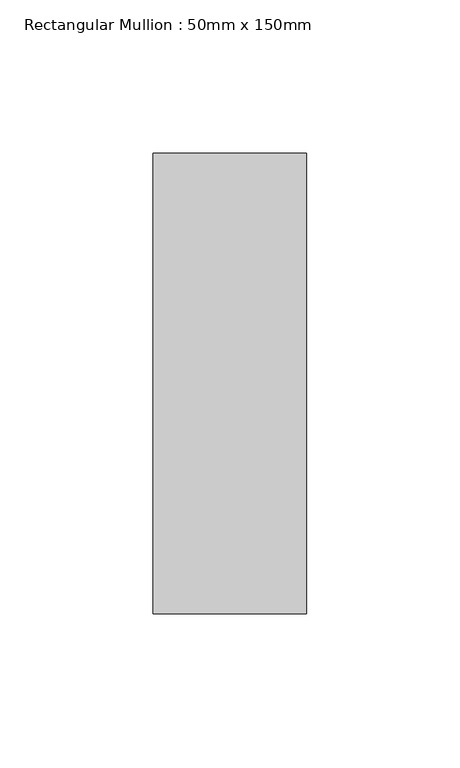
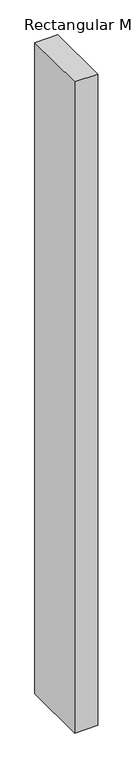
"""IFC4 building model written with IfcOpenShell, lengths in millimetres: member geometry, Rectangular Mullion : 50mm x 150mm."""

from ifc_helpers import new_model, si_unit, frame, origin, place, context, project, spatial, polyline, outline, extrude, source, transform, mapped, element, save


def rectangular_mullion_50mm_x_150mm_461a195c(model_context):
    return source(origin(), model_context, "Body", "SweptSolid", [
        extrude(outline(polyline([(0.0, 75.0), (0.0, -75.0), (-50.0, -75.0), (-50.0, 75.0), (0.0, 75.0)])), frame((0.0, 0.0, -1500.0), z_axis=(0.0, 0.0, 1.0), x_axis=(1.0, 0.0, 0.0)), (0.0, 0.0, 1.0), 1500.0),
    ])


if __name__ == "__main__":
    model = new_model("IFC4")
    model_context = context("Model", 3, world=origin())
    ifc_project = project(units=[si_unit("LENGTHUNIT", "METRE", prefix="MILLI")], contexts=[model_context])
    site = spatial("IfcSite", under=ifc_project)
    building = spatial("IfcBuilding", under=site)
    placement = place(None, origin())
    rectangular_mullion_50mm_x_150mm_shape = rectangular_mullion_50mm_x_150mm_461a195c(model_context)
    element("IfcMember", 1, ObjectType="Rectangular Mullion : 50mm x 150mm", at=placement, inside=building, context=model_context, shape_type="MappedRepresentation", body=[
        mapped(rectangular_mullion_50mm_x_150mm_shape, transform((0.0, 0.0, 0.0), x_axis=(1.0, 0.0, 0.0), y_axis=(0.0, 1.0, 0.0), z_axis=(0.0, 0.0, 1.0))),
    ])
    save(model, "model.ifc")
